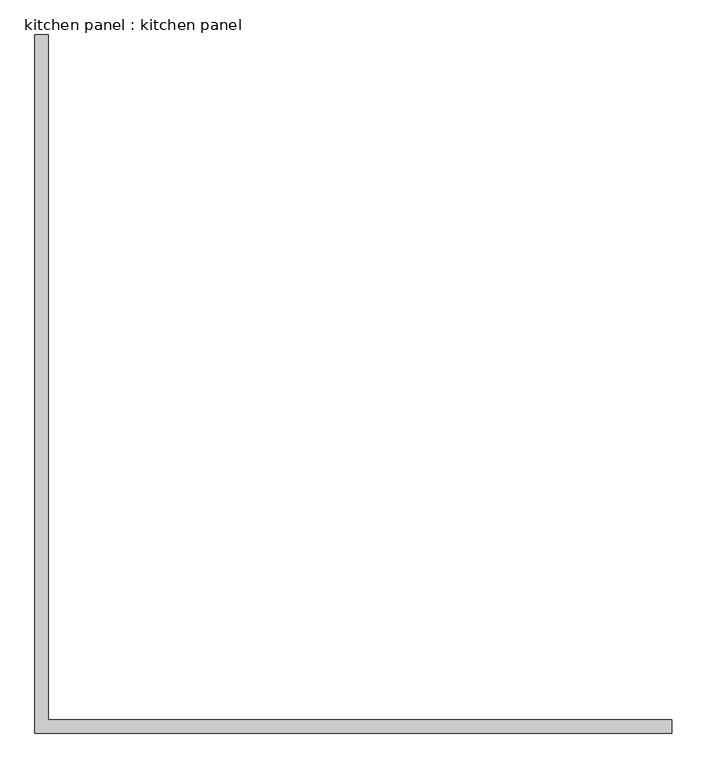
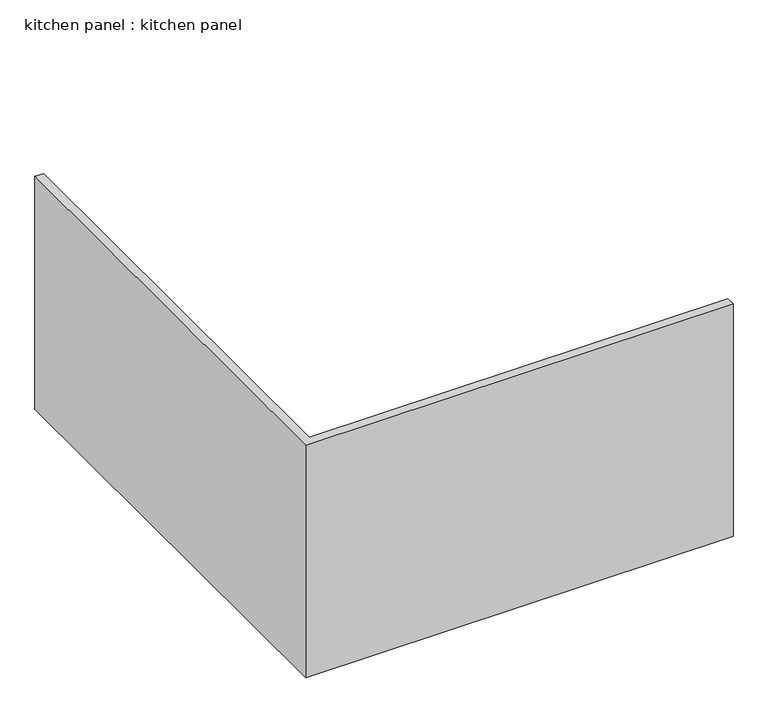
"""IFC4 building model written with IfcOpenShell, lengths in millimetres: proxy geometry, kitchen panel : kitchen panel."""

from ifc_helpers import new_model, si_unit, origin, origin_with_axes, place, context, project, spatial, polyline, outline, extrude, source, transform, mapped, element, save


def kitchen_panel_kitchen_panel_a2ce1415(model_context):
    return source(origin(), model_context, "Body", "SweptSolid", [
        extrude(outline(polyline([(-11033.1276708, 2659.3571767), (-11033.1276708, 4330.1894493), (-11020.4276708, 4330.1894493), (-11001.3776708, 4330.1894493), (-11001.3776708, 2691.1071767), (-9509.1276708, 2691.1071767), (-9509.1276708, 2659.3571767), (-11033.1276708, 2659.3571767)])), origin_with_axes(), (0.0, 0.0, 1.0), 876.3),
    ])


if __name__ == "__main__":
    model = new_model("IFC4")
    model_context = context("Model", 3, world=origin())
    ifc_project = project(units=[si_unit("LENGTHUNIT", "METRE", prefix="MILLI")], contexts=[model_context])
    site = spatial("IfcSite", under=ifc_project)
    building = spatial("IfcBuilding", under=site)
    placement = place(None, origin())
    kitchen_panel_kitchen_panel_shape = kitchen_panel_kitchen_panel_a2ce1415(model_context)
    element("IfcBuildingElementProxy", 1, Name="kitchen panel : kitchen panel", ObjectType="kitchen panel : kitchen panel", at=placement, inside=building, context=model_context, shape_type="MappedRepresentation", body=[
        mapped(kitchen_panel_kitchen_panel_shape, transform((0.0, 0.0, 0.0), x_axis=(1.0, 0.0, 0.0), y_axis=(0.0, 1.0, 0.0), z_axis=(0.0, 0.0, 1.0))),
    ])
    save(model, "model.ifc")
